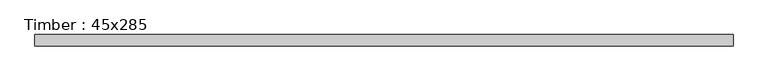
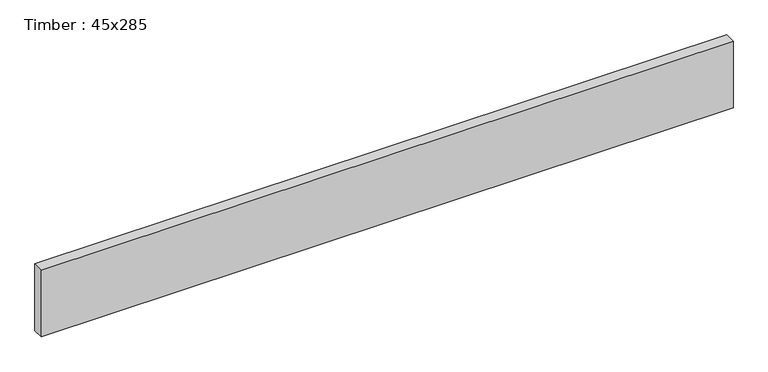
"""IFC4 building model written with IfcOpenShell, lengths in millimetres: beam geometry, Timber : 45x285."""

from ifc_helpers import new_model, si_unit, frame, origin, place, context, project, spatial, polyline, outline, extrude, source, transform, mapped, element, save


def timber_45x285_7ee68a73(model_context):
    return source(origin(), model_context, "Body", "SweptSolid", [
        extrude(outline(polyline([(1400.0, 22.5), (1400.0, -22.5), (-1400.0, -22.5), (-1400.0, 22.5), (1400.0, 22.5)])), frame((0.0, 0.0, -142.5), z_axis=(0.0, 0.0, 1.0), x_axis=(1.0, 0.0, 0.0)), (0.0, 0.0, 1.0), 285.0),
    ])


if __name__ == "__main__":
    model = new_model("IFC4")
    model_context = context("Model", 3, world=origin())
    ifc_project = project(units=[si_unit("LENGTHUNIT", "METRE", prefix="MILLI")], contexts=[model_context])
    site = spatial("IfcSite", under=ifc_project)
    building = spatial("IfcBuilding", under=site)
    placement = place(None, origin())
    timber_45x285_shape = timber_45x285_7ee68a73(model_context)
    element("IfcBeam", 1, ObjectType="Timber : 45x285", at=placement, inside=building, context=model_context, shape_type="MappedRepresentation", body=[
        mapped(timber_45x285_shape, transform((0.0, 0.0, 0.0), x_axis=(1.0, 0.0, 0.0), y_axis=(0.0, 1.0, 0.0), z_axis=(0.0, 0.0, 1.0))),
    ])
    save(model, "model.ifc")
